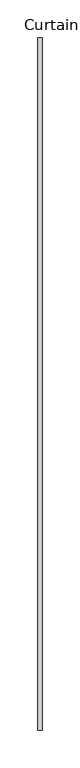
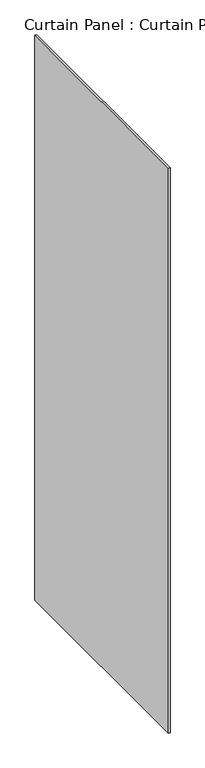
"""IFC4 building model written with IfcOpenShell, lengths in millimetres: plate geometry, Curtain Panel : Curtain Panel."""

from ifc_helpers import new_model, si_unit, frame, origin, place, context, project, spatial, polyline, outline, extrude, source, transform, mapped, element, save


def curtain_panel_curtain_panel_5388d32e(model_context):
    return source(origin(), model_context, "Body", "SweptSolid", [
        extrude(outline(polyline([(-34596.2104182, 4077.9402268), (-34596.2104182, 3155.8070152), (-34602.5604182, 3155.8070152), (-34602.5604182, 4077.9402268), (-34596.2104182, 4077.9402268)])), frame((0.0, 0.0, 41.275), z_axis=(0.0, 0.0, 1.0), x_axis=(1.0, 0.0, 0.0)), (0.0, 0.0, 1.0), 2381.0595),
    ])


if __name__ == "__main__":
    model = new_model("IFC4")
    model_context = context("Model", 3, world=origin())
    ifc_project = project(units=[si_unit("LENGTHUNIT", "METRE", prefix="MILLI")], contexts=[model_context])
    site = spatial("IfcSite", under=ifc_project)
    building = spatial("IfcBuilding", under=site)
    placement = place(None, origin())
    curtain_panel_curtain_panel_shape = curtain_panel_curtain_panel_5388d32e(model_context)
    element("IfcPlate", 1, ObjectType="Curtain Panel : Curtain Panel", at=placement, inside=building, context=model_context, shape_type="MappedRepresentation", body=[
        mapped(curtain_panel_curtain_panel_shape, transform((0.0, 0.0, 0.0), x_axis=(1.0, 0.0, 0.0), y_axis=(0.0, 1.0, 0.0), z_axis=(0.0, 0.0, 1.0))),
    ])
    save(model, "model.ifc")
